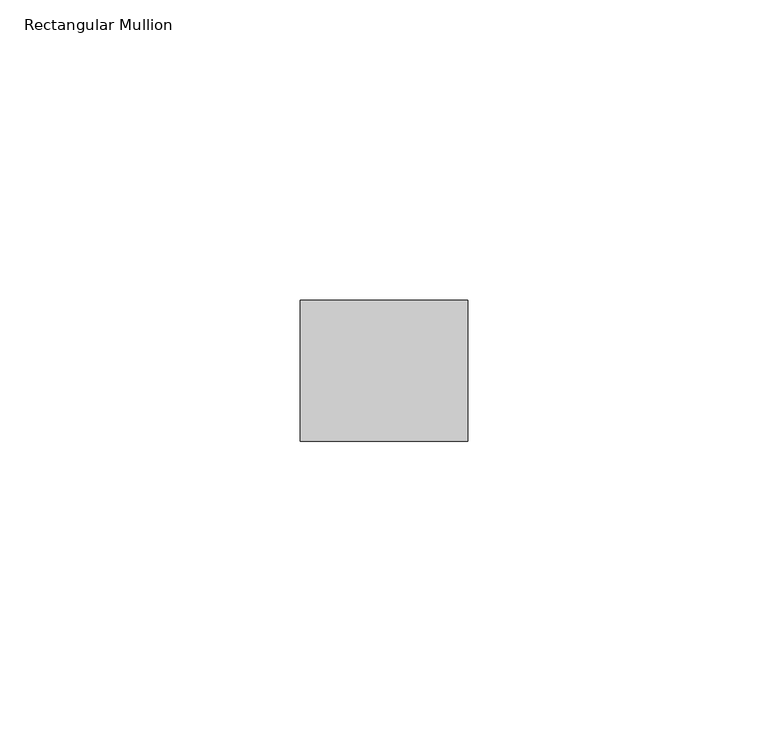
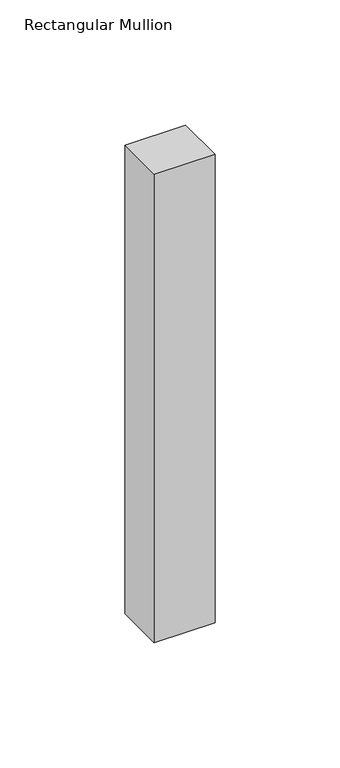
"""IFC4 building model written with IfcOpenShell, lengths in millimetres: member geometry, Rectangular Mullion."""

import ifcopenshell
import ifcopenshell.guid

model = None  # the IFC model being written
_history = None  # IfcOwnerHistory: only IFC2X3 demands one
_inside = {}  # id of a spatial element -> (the spatial element, [elements in it])
_under = {}  # id of a project, library or spatial element -> (it, [spatial elements below it])
_declared = {}  # id of a project -> (the project, [libraries it declares])
_typed = {}  # id of a type object -> (the type object, [elements of that type])
_made_of = {}  # id of a material, layer set ... -> (it, [elements and type objects made of it])


def new_model(schema):
    """Start an empty IFC model of exactly this schema.

    Asked for "IFC4X3", IfcOpenShell would pick the latest addendum, in which some entities
    have other attributes; the version numbers below select the first issue.
    IFC2X3 requires an IfcOwnerHistory on every rooted entity: one is made here for all.
    """
    global model, _history
    if schema == "IFC4X3":
        model = ifcopenshell.file(schema_version=(4, 3, 0, 0))
    else:
        model = ifcopenshell.file(schema=schema)
    _inside.clear()
    _under.clear()
    _declared.clear()
    _typed.clear()
    _made_of.clear()
    _history = None
    if model.schema == "IFC2X3":
        org = make("IfcOrganization", Name="unknown")
        user = make(
            "IfcPersonAndOrganization",
            ThePerson=make("IfcPerson", FamilyName="unknown"),
            TheOrganization=org,
        )
        app = make(
            "IfcApplication",
            ApplicationDeveloper=org,
            Version="unknown",
            ApplicationFullName="unknown",
            ApplicationIdentifier="unknown",
        )
        _history = make(
            "IfcOwnerHistory",
            OwningUser=user,
            OwningApplication=app,
            ChangeAction="ADDED",
            CreationDate=0,
        )
    return model


def make(cls, **values):
    """One entity of the class cls with the attributes given. An attribute that is None is left unset."""
    return model.create_entity(
        cls, **{name: value for name, value in values.items() if value is not None}
    )


def rooted(cls, **values):
    """An entity with a GlobalId (a new one), such as an element, a storey or a relation."""
    return make(cls, GlobalId=ifcopenshell.guid.new(), OwnerHistory=_history, **values)


def si_unit(unit_type, name, prefix=None):
    """IfcSIUnit, for example si_unit("LENGTHUNIT", "METRE", prefix="MILLI")."""
    return make("IfcSIUnit", UnitType=unit_type, Prefix=prefix, Name=name)


def assignment(units):
    """IfcUnitAssignment: the units of a project."""
    return None if units is None else make("IfcUnitAssignment", Units=units)


def point(xyz):
    """IfcCartesianPoint."""
    return None if xyz is None else make("IfcCartesianPoint", Coordinates=xyz)


def direction(xyz):
    """IfcDirection."""
    return None if xyz is None else make("IfcDirection", DirectionRatios=xyz)


def frame(location, z_axis=None, x_axis=None):
    """IfcAxis2Placement3D, a coordinate frame: its origin and axes. An axis left out is left unset."""
    return make(
        "IfcAxis2Placement3D",
        Location=point(location),
        Axis=direction(z_axis),
        RefDirection=direction(x_axis),
    )


def origin():
    """The frame at (0, 0, 0) with its axes left unset."""
    return frame((0.0, 0.0, 0.0))


def place(relative_to, where):
    """IfcLocalPlacement: puts the frame where relative to a parent placement (None: the world)."""
    return make(
        "IfcLocalPlacement", PlacementRelTo=relative_to, RelativePlacement=where
    )


def context(
    kind, dimensions, precision=None, world=None, true_north=None, identifier=None
):
    """IfcGeometricRepresentationContext, for example the 3D "Model" context."""
    return make(
        "IfcGeometricRepresentationContext",
        ContextIdentifier=identifier,
        ContextType=kind,
        CoordinateSpaceDimension=dimensions,
        Precision=precision,
        WorldCoordinateSystem=world,
        TrueNorth=true_north,
    )


def project(units=None, contexts=None):
    """IfcProject with its units and contexts."""
    return rooted(
        "IfcProject",
        Name="project",
        RepresentationContexts=contexts,
        UnitsInContext=assignment(units),
    )


def spatial(cls, under=None, at=None, **own):
    """A site, building, storey or space (cls), placed at a placement, below another one or the project."""
    s = rooted(cls, ObjectPlacement=at, **own)
    if under is not None:
        _under.setdefault(under.id(), (under, []))[1].append(s)
    return s


def polyline(points):
    """IfcPolyline through the points."""
    return make("IfcPolyline", Points=[point(p) for p in points])


def outline(outer, holes=None, kind="AREA"):
    """IfcArbitraryClosedProfileDef: a profile drawn as a closed curve; with holes, ...WithVoids."""
    if holes is None:
        return make("IfcArbitraryClosedProfileDef", ProfileType=kind, OuterCurve=outer)
    return make(
        "IfcArbitraryProfileDefWithVoids",
        ProfileType=kind,
        OuterCurve=outer,
        InnerCurves=holes,
    )


def extrude(swept, where, along, depth):
    """IfcExtrudedAreaSolid: the profile swept, set in the frame where, extruded along a direction by depth."""
    return make(
        "IfcExtrudedAreaSolid",
        SweptArea=swept,
        Position=where,
        ExtrudedDirection=direction(along),
        Depth=depth,
    )


def shape(context_of_items, identifier, shape_type, items):
    """IfcShapeRepresentation: the items that make up one representation, for example the "Body"."""
    return make(
        "IfcShapeRepresentation",
        ContextOfItems=context_of_items,
        RepresentationIdentifier=identifier,
        RepresentationType=shape_type,
        Items=items,
    )


def source(mapping_origin, context_of_items, identifier, shape_type, items):
    """IfcRepresentationMap: a shape defined once, which mapped items show again and again."""
    return make(
        "IfcRepresentationMap",
        MappingOrigin=mapping_origin,
        MappedRepresentation=shape(context_of_items, identifier, shape_type, items),
    )


def transform(
    local_origin,
    x_axis=None,
    y_axis=None,
    z_axis=None,
    scale=None,
    scale2=None,
    scale3=None,
    uniform=True,
):
    """IfcCartesianTransformationOperator3D, or its non-uniform kind. x_axis, y_axis, z_axis: its Axis1, 2, 3."""
    if uniform:
        return make(
            "IfcCartesianTransformationOperator3D",
            Axis1=direction(x_axis),
            Axis2=direction(y_axis),
            LocalOrigin=point(local_origin),
            Scale=scale,
            Axis3=direction(z_axis),
        )
    return make(
        "IfcCartesianTransformationOperator3DnonUniform",
        Axis1=direction(x_axis),
        Axis2=direction(y_axis),
        LocalOrigin=point(local_origin),
        Scale=scale,
        Axis3=direction(z_axis),
        Scale2=scale2,
        Scale3=scale3,
    )


def mapped(mapping_source, mapping_target):
    """IfcMappedItem: shows the shape of a source again, moved by a transform."""
    return make(
        "IfcMappedItem", MappingSource=mapping_source, MappingTarget=mapping_target
    )


def made_of(thing, what):
    """Note that an element or type object is made of a material, layer set ...; save() writes the relation."""
    if what is not None:
        _made_of.setdefault(what.id(), (what, []))[1].append(thing)
    return thing


def element(
    cls,
    number,
    at=None,
    inside=None,
    cuts=None,
    type_object=None,
    material=None,
    context=None,
    identifier="Body",
    shape_type=None,
    held_by="IfcProductDefinitionShape",
    body=None,
    shapes=None,
    **own,
):
    """One element of the class cls, such as IfcWall. Its Tag is "e" and its number.

    at: its placement. inside: the storey or other place that contains it. cuts: it is an
    opening in that element (IfcRelVoidsElement). A single representation is given by context,
    identifier, shape_type and body (its items); several are given by shapes. held_by: the class
    of the entity that holds the representations. save() writes the other relations.
    """
    e = rooted(cls, Tag="e%d" % number, ObjectPlacement=at, **own)
    if body is not None:
        shapes = [shape(context, identifier, shape_type, body)]
    if shapes is not None:
        e.Representation = make(held_by, Representations=shapes)
    if inside is not None:
        _inside.setdefault(inside.id(), (inside, []))[1].append(e)
    if cuts is not None:
        rooted(
            "IfcRelVoidsElement", RelatingBuildingElement=cuts, RelatedOpeningElement=e
        )
    if type_object is not None:
        _typed.setdefault(type_object.id(), (type_object, []))[1].append(e)
    return made_of(e, material)


def aggregate(whole, parts):
    """IfcRelAggregates: a whole, such as a stair, and the parts it consists of."""
    return rooted("IfcRelAggregates", RelatingObject=whole, RelatedObjects=parts)


def save(model, path):
    """Write the relations noted so far, then the file.

    IfcRelAggregates (storeys below a building ...), IfcRelContainedInSpatialStructure (elements
    in a storey), IfcRelDefinesByType, IfcRelAssociatesMaterial and IfcRelDeclares: one each for
    every whole, place, type object, material and project.
    """
    for whole, parts in _under.values():
        aggregate(whole, parts)
    for where, things in _inside.values():
        rooted(
            "IfcRelContainedInSpatialStructure",
            RelatedElements=things,
            RelatingStructure=where,
        )
    for kind, things in _typed.values():
        rooted("IfcRelDefinesByType", RelatedObjects=things, RelatingType=kind)
    for what, things in _made_of.values():
        rooted("IfcRelAssociatesMaterial", RelatedObjects=things, RelatingMaterial=what)
    for by, libraries in _declared.values():
        rooted("IfcRelDeclares", RelatingContext=by, RelatedDefinitions=libraries)
    model.write(path)


def rectangular_mullion_8274e4bd(model_context):
    return source(origin(), model_context, "Body", "SweptSolid", [
        extrude(outline(polyline([(0.0, -11.7474999), (-27.94, -11.7474999), (-27.94, 11.7474999), (0.0, 11.7474999), (0.0, -11.7474999)])), frame((0.0, 0.0, -228.6), z_axis=(0.0, 0.0, 1.0), x_axis=(1.0, 0.0, 0.0)), (0.0, 0.0, 1.0), 228.6),
    ])


if __name__ == "__main__":
    model = new_model("IFC4")
    model_context = context("Model", 3, world=origin())
    ifc_project = project(units=[si_unit("LENGTHUNIT", "METRE", prefix="MILLI")], contexts=[model_context])
    site = spatial("IfcSite", under=ifc_project)
    building = spatial("IfcBuilding", under=site)
    placement = place(None, origin())
    rectangular_mullion_shape = rectangular_mullion_8274e4bd(model_context)
    element("IfcMember", 1, ObjectType="Rectangular Mullion", at=placement, inside=building, context=model_context, shape_type="MappedRepresentation", body=[
        mapped(rectangular_mullion_shape, transform((0.0, 0.0, 0.0), x_axis=(1.0, 0.0, 0.0), y_axis=(0.0, 1.0, 0.0), z_axis=(0.0, 0.0, 1.0))),
    ])
    save(model, "model.ifc")
